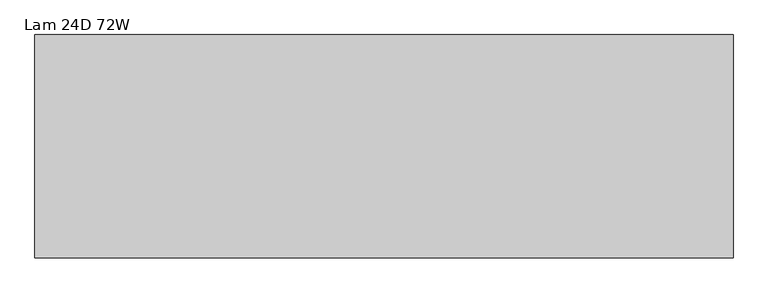
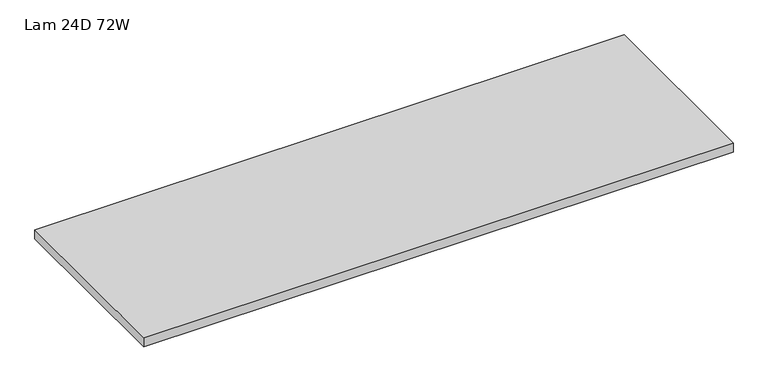
"""IFC4 building model written with IfcOpenShell, lengths in millimetres: furniture geometry, Lam 24D 72W."""

from ifc_helpers import new_model, si_unit, frame, origin, place, context, project, spatial, polyline, outline, extrude, source, transform, mapped, element, save


def lam_24d_72w_fe8cb4f9(model_context):
    return source(origin(), model_context, "Body", "SweptSolid", [
        extrude(outline(polyline([(1363.1275996, 174.6914812), (-462.6244004, 174.6914812), (-462.6244004, 758.8914812), (1363.1275996, 758.8914812), (1363.1275996, 174.6914812)])), frame((0.0, 0.0, 1036.9296), z_axis=(0.0, 0.0, 1.0), x_axis=(1.0, 0.0, 0.0)), (0.0, 0.0, 1.0), 29.8704),
    ])


if __name__ == "__main__":
    model = new_model("IFC4")
    model_context = context("Model", 3, world=origin())
    ifc_project = project(units=[si_unit("LENGTHUNIT", "METRE", prefix="MILLI")], contexts=[model_context])
    site = spatial("IfcSite", under=ifc_project)
    building = spatial("IfcBuilding", under=site)
    placement = place(None, origin())
    lam_24d_72w_shape = lam_24d_72w_fe8cb4f9(model_context)
    element("IfcFurniture", 1, ObjectType="Lam 24D 72W", at=placement, inside=building, context=model_context, shape_type="MappedRepresentation", body=[
        mapped(lam_24d_72w_shape, transform((0.0, 0.0, 0.0), x_axis=(1.0, 0.0, 0.0), y_axis=(0.0, 1.0, 0.0), z_axis=(0.0, 0.0, 1.0))),
    ])
    save(model, "model.ifc")
